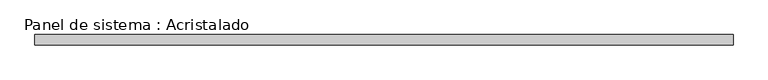
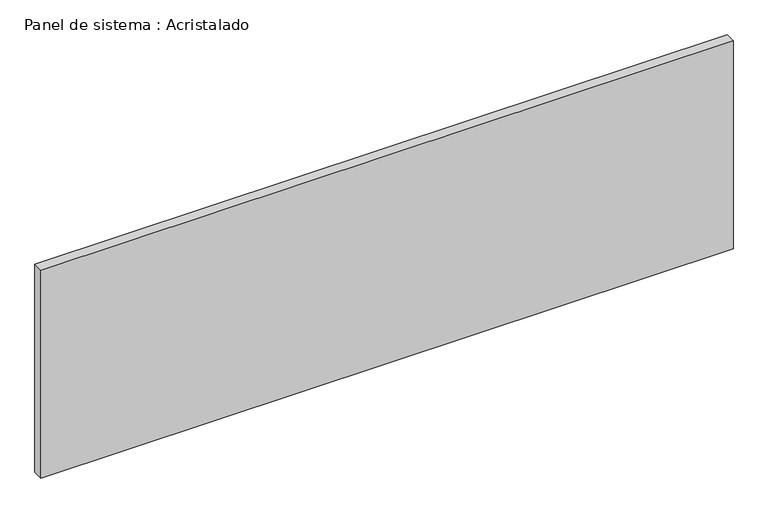
"""IFC4 building model written with IfcOpenShell, lengths in millimetres: plate geometry, Panel de sistema : Acristalado."""

import ifcopenshell
import ifcopenshell.guid

model = None  # the IFC model being written
_history = None  # IfcOwnerHistory: only IFC2X3 demands one
_inside = {}  # id of a spatial element -> (the spatial element, [elements in it])
_under = {}  # id of a project, library or spatial element -> (it, [spatial elements below it])
_declared = {}  # id of a project -> (the project, [libraries it declares])
_typed = {}  # id of a type object -> (the type object, [elements of that type])
_made_of = {}  # id of a material, layer set ... -> (it, [elements and type objects made of it])


def new_model(schema):
    """Start an empty IFC model of exactly this schema.

    Asked for "IFC4X3", IfcOpenShell would pick the latest addendum, in which some entities
    have other attributes; the version numbers below select the first issue.
    IFC2X3 requires an IfcOwnerHistory on every rooted entity: one is made here for all.
    """
    global model, _history
    if schema == "IFC4X3":
        model = ifcopenshell.file(schema_version=(4, 3, 0, 0))
    else:
        model = ifcopenshell.file(schema=schema)
    _inside.clear()
    _under.clear()
    _declared.clear()
    _typed.clear()
    _made_of.clear()
    _history = None
    if model.schema == "IFC2X3":
        org = make("IfcOrganization", Name="unknown")
        user = make(
            "IfcPersonAndOrganization",
            ThePerson=make("IfcPerson", FamilyName="unknown"),
            TheOrganization=org,
        )
        app = make(
            "IfcApplication",
            ApplicationDeveloper=org,
            Version="unknown",
            ApplicationFullName="unknown",
            ApplicationIdentifier="unknown",
        )
        _history = make(
            "IfcOwnerHistory",
            OwningUser=user,
            OwningApplication=app,
            ChangeAction="ADDED",
            CreationDate=0,
        )
    return model


def make(cls, **values):
    """One entity of the class cls with the attributes given. An attribute that is None is left unset."""
    return model.create_entity(
        cls, **{name: value for name, value in values.items() if value is not None}
    )


def rooted(cls, **values):
    """An entity with a GlobalId (a new one), such as an element, a storey or a relation."""
    return make(cls, GlobalId=ifcopenshell.guid.new(), OwnerHistory=_history, **values)


def si_unit(unit_type, name, prefix=None):
    """IfcSIUnit, for example si_unit("LENGTHUNIT", "METRE", prefix="MILLI")."""
    return make("IfcSIUnit", UnitType=unit_type, Prefix=prefix, Name=name)


def assignment(units):
    """IfcUnitAssignment: the units of a project."""
    return None if units is None else make("IfcUnitAssignment", Units=units)


def point(xyz):
    """IfcCartesianPoint."""
    return None if xyz is None else make("IfcCartesianPoint", Coordinates=xyz)


def direction(xyz):
    """IfcDirection."""
    return None if xyz is None else make("IfcDirection", DirectionRatios=xyz)


def frame(location, z_axis=None, x_axis=None):
    """IfcAxis2Placement3D, a coordinate frame: its origin and axes. An axis left out is left unset."""
    return make(
        "IfcAxis2Placement3D",
        Location=point(location),
        Axis=direction(z_axis),
        RefDirection=direction(x_axis),
    )


def origin():
    """The frame at (0, 0, 0) with its axes left unset."""
    return frame((0.0, 0.0, 0.0))


def origin_with_axes():
    """The frame at (0, 0, 0) with the z axis (0, 0, 1) and the x axis (1, 0, 0) written out."""
    return frame((0.0, 0.0, 0.0), z_axis=(0.0, 0.0, 1.0), x_axis=(1.0, 0.0, 0.0))


def place(relative_to, where):
    """IfcLocalPlacement: puts the frame where relative to a parent placement (None: the world)."""
    return make(
        "IfcLocalPlacement", PlacementRelTo=relative_to, RelativePlacement=where
    )


def context(
    kind, dimensions, precision=None, world=None, true_north=None, identifier=None
):
    """IfcGeometricRepresentationContext, for example the 3D "Model" context."""
    return make(
        "IfcGeometricRepresentationContext",
        ContextIdentifier=identifier,
        ContextType=kind,
        CoordinateSpaceDimension=dimensions,
        Precision=precision,
        WorldCoordinateSystem=world,
        TrueNorth=true_north,
    )


def project(units=None, contexts=None):
    """IfcProject with its units and contexts."""
    return rooted(
        "IfcProject",
        Name="project",
        RepresentationContexts=contexts,
        UnitsInContext=assignment(units),
    )


def spatial(cls, under=None, at=None, **own):
    """A site, building, storey or space (cls), placed at a placement, below another one or the project."""
    s = rooted(cls, ObjectPlacement=at, **own)
    if under is not None:
        _under.setdefault(under.id(), (under, []))[1].append(s)
    return s


def polyline(points):
    """IfcPolyline through the points."""
    return make("IfcPolyline", Points=[point(p) for p in points])


def outline(outer, holes=None, kind="AREA"):
    """IfcArbitraryClosedProfileDef: a profile drawn as a closed curve; with holes, ...WithVoids."""
    if holes is None:
        return make("IfcArbitraryClosedProfileDef", ProfileType=kind, OuterCurve=outer)
    return make(
        "IfcArbitraryProfileDefWithVoids",
        ProfileType=kind,
        OuterCurve=outer,
        InnerCurves=holes,
    )


def extrude(swept, where, along, depth):
    """IfcExtrudedAreaSolid: the profile swept, set in the frame where, extruded along a direction by depth."""
    return make(
        "IfcExtrudedAreaSolid",
        SweptArea=swept,
        Position=where,
        ExtrudedDirection=direction(along),
        Depth=depth,
    )


def shape(context_of_items, identifier, shape_type, items):
    """IfcShapeRepresentation: the items that make up one representation, for example the "Body"."""
    return make(
        "IfcShapeRepresentation",
        ContextOfItems=context_of_items,
        RepresentationIdentifier=identifier,
        RepresentationType=shape_type,
        Items=items,
    )


def source(mapping_origin, context_of_items, identifier, shape_type, items):
    """IfcRepresentationMap: a shape defined once, which mapped items show again and again."""
    return make(
        "IfcRepresentationMap",
        MappingOrigin=mapping_origin,
        MappedRepresentation=shape(context_of_items, identifier, shape_type, items),
    )


def transform(
    local_origin,
    x_axis=None,
    y_axis=None,
    z_axis=None,
    scale=None,
    scale2=None,
    scale3=None,
    uniform=True,
):
    """IfcCartesianTransformationOperator3D, or its non-uniform kind. x_axis, y_axis, z_axis: its Axis1, 2, 3."""
    if uniform:
        return make(
            "IfcCartesianTransformationOperator3D",
            Axis1=direction(x_axis),
            Axis2=direction(y_axis),
            LocalOrigin=point(local_origin),
            Scale=scale,
            Axis3=direction(z_axis),
        )
    return make(
        "IfcCartesianTransformationOperator3DnonUniform",
        Axis1=direction(x_axis),
        Axis2=direction(y_axis),
        LocalOrigin=point(local_origin),
        Scale=scale,
        Axis3=direction(z_axis),
        Scale2=scale2,
        Scale3=scale3,
    )


def mapped(mapping_source, mapping_target):
    """IfcMappedItem: shows the shape of a source again, moved by a transform."""
    return make(
        "IfcMappedItem", MappingSource=mapping_source, MappingTarget=mapping_target
    )


def made_of(thing, what):
    """Note that an element or type object is made of a material, layer set ...; save() writes the relation."""
    if what is not None:
        _made_of.setdefault(what.id(), (what, []))[1].append(thing)
    return thing


def element(
    cls,
    number,
    at=None,
    inside=None,
    cuts=None,
    type_object=None,
    material=None,
    context=None,
    identifier="Body",
    shape_type=None,
    held_by="IfcProductDefinitionShape",
    body=None,
    shapes=None,
    **own,
):
    """One element of the class cls, such as IfcWall. Its Tag is "e" and its number.

    at: its placement. inside: the storey or other place that contains it. cuts: it is an
    opening in that element (IfcRelVoidsElement). A single representation is given by context,
    identifier, shape_type and body (its items); several are given by shapes. held_by: the class
    of the entity that holds the representations. save() writes the other relations.
    """
    e = rooted(cls, Tag="e%d" % number, ObjectPlacement=at, **own)
    if body is not None:
        shapes = [shape(context, identifier, shape_type, body)]
    if shapes is not None:
        e.Representation = make(held_by, Representations=shapes)
    if inside is not None:
        _inside.setdefault(inside.id(), (inside, []))[1].append(e)
    if cuts is not None:
        rooted(
            "IfcRelVoidsElement", RelatingBuildingElement=cuts, RelatedOpeningElement=e
        )
    if type_object is not None:
        _typed.setdefault(type_object.id(), (type_object, []))[1].append(e)
    return made_of(e, material)


def aggregate(whole, parts):
    """IfcRelAggregates: a whole, such as a stair, and the parts it consists of."""
    return rooted("IfcRelAggregates", RelatingObject=whole, RelatedObjects=parts)


def save(model, path):
    """Write the relations noted so far, then the file.

    IfcRelAggregates (storeys below a building ...), IfcRelContainedInSpatialStructure (elements
    in a storey), IfcRelDefinesByType, IfcRelAssociatesMaterial and IfcRelDeclares: one each for
    every whole, place, type object, material and project.
    """
    for whole, parts in _under.values():
        aggregate(whole, parts)
    for where, things in _inside.values():
        rooted(
            "IfcRelContainedInSpatialStructure",
            RelatedElements=things,
            RelatingStructure=where,
        )
    for kind, things in _typed.values():
        rooted("IfcRelDefinesByType", RelatedObjects=things, RelatingType=kind)
    for what, things in _made_of.values():
        rooted("IfcRelAssociatesMaterial", RelatedObjects=things, RelatingMaterial=what)
    for by, libraries in _declared.values():
        rooted("IfcRelDeclares", RelatingContext=by, RelatedDefinitions=libraries)
    model.write(path)


def panel_de_sistema_acristalado_a1e8d68e(model_context):
    return source(origin(), model_context, "Body", "SweptSolid", [
        extrude(outline(polyline([(675.2208686, -10.0), (-675.2208686, -10.0), (-675.2208686, 10.0), (675.2208686, 10.0), (675.2208686, -10.0)])), origin_with_axes(), (0.0, 0.0, 1.0), 429.0),
    ])


if __name__ == "__main__":
    model = new_model("IFC4")
    model_context = context("Model", 3, world=origin())
    ifc_project = project(units=[si_unit("LENGTHUNIT", "METRE", prefix="MILLI")], contexts=[model_context])
    site = spatial("IfcSite", under=ifc_project)
    building = spatial("IfcBuilding", under=site)
    placement = place(None, origin())
    panel_de_sistema_acristalado_shape = panel_de_sistema_acristalado_a1e8d68e(model_context)
    element("IfcPlate", 1, ObjectType="Panel de sistema : Acristalado", at=placement, inside=building, context=model_context, shape_type="MappedRepresentation", body=[
        mapped(panel_de_sistema_acristalado_shape, transform((0.0, 0.0, 0.0), x_axis=(1.0, 0.0, 0.0), y_axis=(0.0, 1.0, 0.0), z_axis=(0.0, 0.0, 1.0))),
    ])
    save(model, "model.ifc")
